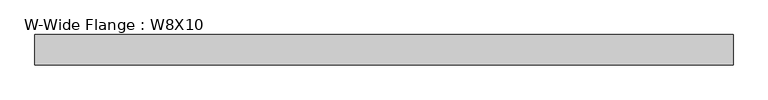
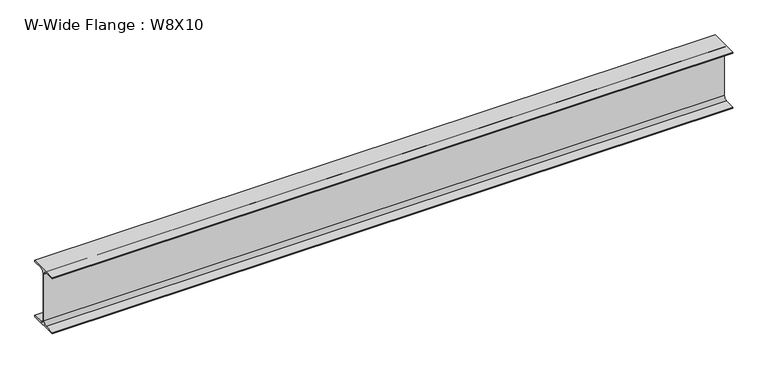
"""IFC4 building model written with IfcOpenShell, lengths in millimetres: beam geometry, W-Wide Flange : W8X10."""

import ifcopenshell
import ifcopenshell.guid

model = None  # the IFC model being written
_history = None  # IfcOwnerHistory: only IFC2X3 demands one
_inside = {}  # id of a spatial element -> (the spatial element, [elements in it])
_under = {}  # id of a project, library or spatial element -> (it, [spatial elements below it])
_declared = {}  # id of a project -> (the project, [libraries it declares])
_typed = {}  # id of a type object -> (the type object, [elements of that type])
_made_of = {}  # id of a material, layer set ... -> (it, [elements and type objects made of it])


def new_model(schema):
    """Start an empty IFC model of exactly this schema.

    Asked for "IFC4X3", IfcOpenShell would pick the latest addendum, in which some entities
    have other attributes; the version numbers below select the first issue.
    IFC2X3 requires an IfcOwnerHistory on every rooted entity: one is made here for all.
    """
    global model, _history
    if schema == "IFC4X3":
        model = ifcopenshell.file(schema_version=(4, 3, 0, 0))
    else:
        model = ifcopenshell.file(schema=schema)
    _inside.clear()
    _under.clear()
    _declared.clear()
    _typed.clear()
    _made_of.clear()
    _history = None
    if model.schema == "IFC2X3":
        org = make("IfcOrganization", Name="unknown")
        user = make(
            "IfcPersonAndOrganization",
            ThePerson=make("IfcPerson", FamilyName="unknown"),
            TheOrganization=org,
        )
        app = make(
            "IfcApplication",
            ApplicationDeveloper=org,
            Version="unknown",
            ApplicationFullName="unknown",
            ApplicationIdentifier="unknown",
        )
        _history = make(
            "IfcOwnerHistory",
            OwningUser=user,
            OwningApplication=app,
            ChangeAction="ADDED",
            CreationDate=0,
        )
    return model


def make(cls, **values):
    """One entity of the class cls with the attributes given. An attribute that is None is left unset."""
    return model.create_entity(
        cls, **{name: value for name, value in values.items() if value is not None}
    )


def rooted(cls, **values):
    """An entity with a GlobalId (a new one), such as an element, a storey or a relation."""
    return make(cls, GlobalId=ifcopenshell.guid.new(), OwnerHistory=_history, **values)


def si_unit(unit_type, name, prefix=None):
    """IfcSIUnit, for example si_unit("LENGTHUNIT", "METRE", prefix="MILLI")."""
    return make("IfcSIUnit", UnitType=unit_type, Prefix=prefix, Name=name)


def assignment(units):
    """IfcUnitAssignment: the units of a project."""
    return None if units is None else make("IfcUnitAssignment", Units=units)


def point(xyz):
    """IfcCartesianPoint."""
    return None if xyz is None else make("IfcCartesianPoint", Coordinates=xyz)


def direction(xyz):
    """IfcDirection."""
    return None if xyz is None else make("IfcDirection", DirectionRatios=xyz)


def frame(location, z_axis=None, x_axis=None):
    """IfcAxis2Placement3D, a coordinate frame: its origin and axes. An axis left out is left unset."""
    return make(
        "IfcAxis2Placement3D",
        Location=point(location),
        Axis=direction(z_axis),
        RefDirection=direction(x_axis),
    )


def frame_2d(location, x_axis=None):
    """IfcAxis2Placement2D, a coordinate frame in the plane: its origin and x axis."""
    return make(
        "IfcAxis2Placement2D", Location=point(location), RefDirection=direction(x_axis)
    )


def origin():
    """The frame at (0, 0, 0) with its axes left unset."""
    return frame((0.0, 0.0, 0.0))


def place(relative_to, where):
    """IfcLocalPlacement: puts the frame where relative to a parent placement (None: the world)."""
    return make(
        "IfcLocalPlacement", PlacementRelTo=relative_to, RelativePlacement=where
    )


def context(
    kind, dimensions, precision=None, world=None, true_north=None, identifier=None
):
    """IfcGeometricRepresentationContext, for example the 3D "Model" context."""
    return make(
        "IfcGeometricRepresentationContext",
        ContextIdentifier=identifier,
        ContextType=kind,
        CoordinateSpaceDimension=dimensions,
        Precision=precision,
        WorldCoordinateSystem=world,
        TrueNorth=true_north,
    )


def project(units=None, contexts=None):
    """IfcProject with its units and contexts."""
    return rooted(
        "IfcProject",
        Name="project",
        RepresentationContexts=contexts,
        UnitsInContext=assignment(units),
    )


def spatial(cls, under=None, at=None, **own):
    """A site, building, storey or space (cls), placed at a placement, below another one or the project."""
    s = rooted(cls, ObjectPlacement=at, **own)
    if under is not None:
        _under.setdefault(under.id(), (under, []))[1].append(s)
    return s


def polyline(points):
    """IfcPolyline through the points."""
    return make("IfcPolyline", Points=[point(p) for p in points])


def circle_curve(where, radius):
    """IfcCircle in the frame where."""
    return make("IfcCircle", Position=where, Radius=radius)


def trimmed(basis, trim1, trim2, sense, master):
    """IfcTrimmedCurve: the piece of a basis curve between two trims."""
    return make(
        "IfcTrimmedCurve",
        BasisCurve=basis,
        Trim1=trim1,
        Trim2=trim2,
        SenseAgreement=sense,
        MasterRepresentation=master,
    )


def segment(curve, same_sense, transition):
    """IfcCompositeCurveSegment."""
    return make(
        "IfcCompositeCurveSegment",
        Transition=transition,
        SameSense=same_sense,
        ParentCurve=curve,
    )


def composite_curve(segments, self_intersect=None):
    """IfcCompositeCurve: segments joined end to end."""
    return make("IfcCompositeCurve", Segments=segments, SelfIntersect=self_intersect)


def outline(outer, holes=None, kind="AREA"):
    """IfcArbitraryClosedProfileDef: a profile drawn as a closed curve; with holes, ...WithVoids."""
    if holes is None:
        return make("IfcArbitraryClosedProfileDef", ProfileType=kind, OuterCurve=outer)
    return make(
        "IfcArbitraryProfileDefWithVoids",
        ProfileType=kind,
        OuterCurve=outer,
        InnerCurves=holes,
    )


def extrude(swept, where, along, depth):
    """IfcExtrudedAreaSolid: the profile swept, set in the frame where, extruded along a direction by depth."""
    return make(
        "IfcExtrudedAreaSolid",
        SweptArea=swept,
        Position=where,
        ExtrudedDirection=direction(along),
        Depth=depth,
    )


def shape(context_of_items, identifier, shape_type, items):
    """IfcShapeRepresentation: the items that make up one representation, for example the "Body"."""
    return make(
        "IfcShapeRepresentation",
        ContextOfItems=context_of_items,
        RepresentationIdentifier=identifier,
        RepresentationType=shape_type,
        Items=items,
    )


def source(mapping_origin, context_of_items, identifier, shape_type, items):
    """IfcRepresentationMap: a shape defined once, which mapped items show again and again."""
    return make(
        "IfcRepresentationMap",
        MappingOrigin=mapping_origin,
        MappedRepresentation=shape(context_of_items, identifier, shape_type, items),
    )


def transform(
    local_origin,
    x_axis=None,
    y_axis=None,
    z_axis=None,
    scale=None,
    scale2=None,
    scale3=None,
    uniform=True,
):
    """IfcCartesianTransformationOperator3D, or its non-uniform kind. x_axis, y_axis, z_axis: its Axis1, 2, 3."""
    if uniform:
        return make(
            "IfcCartesianTransformationOperator3D",
            Axis1=direction(x_axis),
            Axis2=direction(y_axis),
            LocalOrigin=point(local_origin),
            Scale=scale,
            Axis3=direction(z_axis),
        )
    return make(
        "IfcCartesianTransformationOperator3DnonUniform",
        Axis1=direction(x_axis),
        Axis2=direction(y_axis),
        LocalOrigin=point(local_origin),
        Scale=scale,
        Axis3=direction(z_axis),
        Scale2=scale2,
        Scale3=scale3,
    )


def mapped(mapping_source, mapping_target):
    """IfcMappedItem: shows the shape of a source again, moved by a transform."""
    return make(
        "IfcMappedItem", MappingSource=mapping_source, MappingTarget=mapping_target
    )


def made_of(thing, what):
    """Note that an element or type object is made of a material, layer set ...; save() writes the relation."""
    if what is not None:
        _made_of.setdefault(what.id(), (what, []))[1].append(thing)
    return thing


def element(
    cls,
    number,
    at=None,
    inside=None,
    cuts=None,
    type_object=None,
    material=None,
    context=None,
    identifier="Body",
    shape_type=None,
    held_by="IfcProductDefinitionShape",
    body=None,
    shapes=None,
    **own,
):
    """One element of the class cls, such as IfcWall. Its Tag is "e" and its number.

    at: its placement. inside: the storey or other place that contains it. cuts: it is an
    opening in that element (IfcRelVoidsElement). A single representation is given by context,
    identifier, shape_type and body (its items); several are given by shapes. held_by: the class
    of the entity that holds the representations. save() writes the other relations.
    """
    e = rooted(cls, Tag="e%d" % number, ObjectPlacement=at, **own)
    if body is not None:
        shapes = [shape(context, identifier, shape_type, body)]
    if shapes is not None:
        e.Representation = make(held_by, Representations=shapes)
    if inside is not None:
        _inside.setdefault(inside.id(), (inside, []))[1].append(e)
    if cuts is not None:
        rooted(
            "IfcRelVoidsElement", RelatingBuildingElement=cuts, RelatedOpeningElement=e
        )
    if type_object is not None:
        _typed.setdefault(type_object.id(), (type_object, []))[1].append(e)
    return made_of(e, material)


def aggregate(whole, parts):
    """IfcRelAggregates: a whole, such as a stair, and the parts it consists of."""
    return rooted("IfcRelAggregates", RelatingObject=whole, RelatedObjects=parts)


def save(model, path):
    """Write the relations noted so far, then the file.

    IfcRelAggregates (storeys below a building ...), IfcRelContainedInSpatialStructure (elements
    in a storey), IfcRelDefinesByType, IfcRelAssociatesMaterial and IfcRelDeclares: one each for
    every whole, place, type object, material and project.
    """
    for whole, parts in _under.values():
        aggregate(whole, parts)
    for where, things in _inside.values():
        rooted(
            "IfcRelContainedInSpatialStructure",
            RelatedElements=things,
            RelatingStructure=where,
        )
    for kind, things in _typed.values():
        rooted("IfcRelDefinesByType", RelatedObjects=things, RelatingType=kind)
    for what, things in _made_of.values():
        rooted("IfcRelAssociatesMaterial", RelatedObjects=things, RelatingMaterial=what)
    for by, libraries in _declared.values():
        rooted("IfcRelDeclares", RelatingContext=by, RelatedDefinitions=libraries)
    model.write(path)


def w_wide_flange_w8x10_d52be1bb(model_context):
    return source(origin(), model_context, "Body", "SweptSolid", [
        extrude(outline(composite_curve([segment(polyline([(50.0558594, -95.0515625), (50.0558594, -100.2109375), (-50.0558594, -100.2109375), (-50.0558594, -95.0515625), (-14.4859375, -95.0515625)]), True, "CONTINUOUS"), segment(trimmed(circle_curve(frame_2d((-14.4859375, -82.7484375)), 12.303125), [point((-14.4859375, -95.0515625))], [point((-2.1828125, -82.7484375))], True, "CARTESIAN"), True, "CONTINUOUS"), segment(polyline([(-2.1828125, -82.7484375), (-2.1828125, 82.7484375)]), True, "CONTINUOUS"), segment(trimmed(circle_curve(frame_2d((-14.4859375, 82.7484375)), 12.303125), [point((-2.1828125, 82.7484375))], [point((-14.4859375, 95.0515625))], True, "CARTESIAN"), True, "CONTINUOUS"), segment(polyline([(-14.4859375, 95.0515625), (-50.0558594, 95.0515625), (-50.0558594, 100.2109375), (50.0558594, 100.2109375), (50.0558594, 95.0515625), (14.4859375, 95.0515625)]), True, "CONTINUOUS"), segment(trimmed(circle_curve(frame_2d((14.4859375, 82.7484375)), 12.303125), [point((14.4859375, 95.0515625))], [point((2.1828125, 82.7484375))], True, "CARTESIAN"), True, "CONTINUOUS"), segment(polyline([(2.1828125, 82.7484375), (2.1828125, -82.7484375)]), True, "CONTINUOUS"), segment(trimmed(circle_curve(frame_2d((14.4859375, -82.7484375)), 12.303125), [point((2.1828125, -82.7484375))], [point((14.4859375, -95.0515625))], True, "CARTESIAN"), True, "CONTINUOUS"), segment(polyline([(14.4859375, -95.0515625), (50.0558594, -95.0515625)]), True, "CONTINUOUS")], self_intersect=False)), frame((-1143.4960937, 0.0, 0.0), z_axis=(1.0, 0.0, 0.0), x_axis=(0.0, 1.0, 0.0)), (0.0, 0.0, 1.0), 2286.9921875),
    ])


if __name__ == "__main__":
    model = new_model("IFC4")
    model_context = context("Model", 3, world=origin())
    ifc_project = project(units=[si_unit("LENGTHUNIT", "METRE", prefix="MILLI")], contexts=[model_context])
    site = spatial("IfcSite", under=ifc_project)
    building = spatial("IfcBuilding", under=site)
    placement = place(None, origin())
    w_wide_flange_w8x10_shape = w_wide_flange_w8x10_d52be1bb(model_context)
    element("IfcBeam", 1, ObjectType="W-Wide Flange : W8X10", at=placement, inside=building, context=model_context, shape_type="MappedRepresentation", body=[
        mapped(w_wide_flange_w8x10_shape, transform((0.0, 0.0, 0.0), x_axis=(1.0, 0.0, 0.0), y_axis=(0.0, 1.0, 0.0), z_axis=(0.0, 0.0, 1.0))),
    ])
    save(model, "model.ifc")
